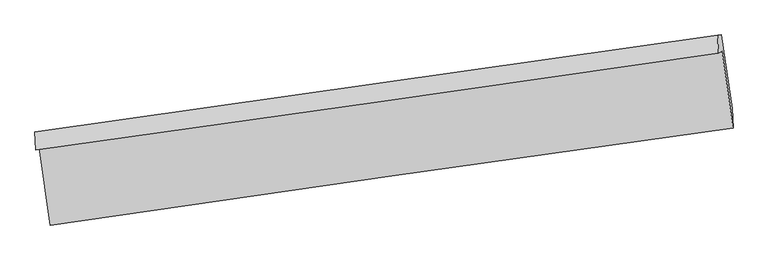
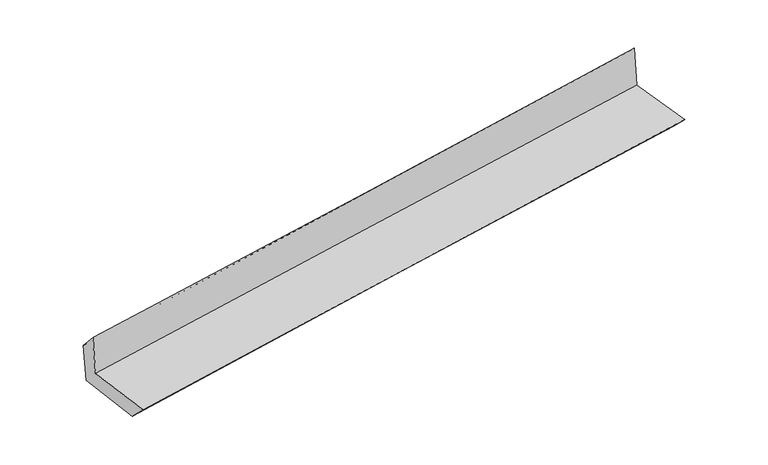
"""IFC4 building model written with IfcOpenShell, lengths in millimetres: proxy geometry."""

from ifc_helpers import new_model, si_unit, frame, origin, place, context, project, spatial, source, transform, mapped, element, save
from ifc_brep_helpers import plane_surface, spline_curve, spline_surface, advanced_brep


def generic_models_bbe7c926(model_context):
    return source(origin(), model_context, "Body", "AdvancedBrep", [
        advanced_brep(
        [(-3005.8303688, -1924.2426542, 1667.7338369), (-2909.3184191, -2598.149591, 1651.539774), (3052.4206476, -1747.5856515, 2154.9991672), (2958.0202616, -1077.9989812, 2153.6296952), (-3038.4580292, -1938.6570741, 2073.1304605), (2924.5842072, -1092.7705376, 2569.0705632), (-3045.4756901, -1783.1828447, 1898.5298877), (2917.0781836, -937.0972153, 2399.8529887), (-3012.6651492, -1779.35488, 1508.4718069), (2949.889295, -933.269184, 2009.7881266), (-2919.5856039, -2423.963372, 1484.0521964), (3042.9688403, -1577.8776761, 1985.3685161)],
        [
            (0, 1),
            (1, 2, spline_curve(3, [(-2909.3184191, -2598.149591, 1651.539774), (-1916.339364821, -2452.062208907, 1735.880251219), (-923.03992589, -2308.138421451, 1820.005298405), (1064.206425285, -2024.617079344, 1987.825098903), (2058.153341755, -1885.019553572, 2071.519849471), (3052.4206476, -1747.5856515, 2154.9991672)], [4, 2, 4], [0.0, 9.913252504863097, 19.826571890860244])),
            (2, 3),
            (3, 0, spline_curve(3, [(2958.0202616, -1077.9989812, 2153.6296952), (1964.078612593, -1222.918825621, 2078.700358356), (970.118558853, -1365.899285385, 2000.744221819), (-1017.831651485, -1647.980483468, 1838.77889474), (-2011.821808048, -1787.081248265, 1754.769745319), (-3005.8303688, -1924.2426542, 1667.7338369)], [4, 2, 4], [0.0, 9.913319385997147, 19.826571890860244])),
            (4, 0),
            (3, 5),
            (5, 4, spline_curve(3, [(2924.5842072, -1092.7705376, 2569.0705632), (1931.584383731, -1237.274297287, 2482.439103172), (938.162607919, -1380.016953871, 2397.794898293), (-1049.518143459, -1661.979108983, 2232.481557759), (-2043.777112933, -1801.19863145, 2151.812394916), (-3038.4580292, -1938.6570741, 2073.1304605)], [4, 2, 4], [0.0, 9.913339521904662, 19.826612162539426])),
            (6, 4),
            (5, 7),
            (7, 6, spline_curve(3, [(2917.0781836, -937.0972153, 2399.8529887), (1922.441114109, -1078.567182974, 2327.361511378), (928.24141546, -1219.80953947, 2249.338687913), (-1059.27653655, -1501.838079761, 2082.230912993), (-2052.594795731, -1642.624266037, 1993.146035982), (-3045.4756901, -1783.1828447, 1898.5298877)], [4, 2, 4], [0.0, 9.913310103120388, 19.826553325169357])),
            (8, 6),
            (7, 9),
            (9, 8, spline_curve(3, [(2949.889295, -933.269184, 2009.7881266), (1955.811372087, -1074.673916786, 1930.649405846), (961.891198074, -1215.883661453, 1849.303537138), (-1025.626947563, -1497.912224378, 1682.19806776), (-2019.224921704, -1638.731044586, 1596.438496334), (-3012.6651492, -1779.35488, 1508.4718069)], [4, 2, 4], [0.0, 9.913366302875572, 19.826665724300565])),
            (10, 8),
            (9, 11),
            (11, 10, spline_curve(3, [(3042.9688403, -1577.8776761, 1985.3685161), (2048.41465336, -1715.984111708, 1906.354744287), (1054.256347994, -1855.544713865, 1825.07134982), (-933.261794883, -2137.573298566, 1657.965879478), (-1926.621637666, -2280.041262024, 1572.143833904), (-2919.5856039, -2423.963372, 1484.0521964)], [4, 2, 4], [0.0, 9.913310804595843, 19.826554728115532])),
            (1, 10),
            (11, 2),
        ],
        [
            spline_surface(3, 3, [[(-3005.8303688, -1924.2426542, 1667.7338369), (-2011.821808003, -1787.08124816, 1754.769745443), (-1017.831651507, -1647.980483511, 1838.778894799), (970.118558876, -1365.899285342, 2000.74422176), (1964.078612511, -1222.918825666, 2078.700358464), (2958.0202616, -1077.9989812, 2153.6296952)], [(-2973.659718869, -2148.87829981, 1662.335815929), (-1979.994326964, -2008.741568455, 1748.473247354), (-986.234409645, -1868.033129538, 1832.521029312), (1001.481181023, -1585.471883305, 1996.437847499), (1995.436855644, -1443.619068288, 2076.306855473), (2989.487056958, -1301.194537981, 2154.086185843)], [(-2941.489069031, -2373.51394539, 1656.937794971), (-1948.166846017, -2230.40188872, 1742.176749277), (-954.637167785, -2088.085775551, 1826.263163821), (1032.843803169, -1805.044481254, 1992.131473235), (2026.795098704, -1664.319310866, 2073.913352553), (3020.953852242, -1524.390094719, 2154.542676557)], [(-2909.3184191, -2598.149591, 1651.539774), (-1916.339364978, -2452.062209015, 1735.880251188), (-923.039925922, -2308.138421578, 1820.005298334), (1064.206425316, -2024.617079217, 1987.825098974), (2058.153341837, -1885.019553488, 2071.519849561), (3052.4206476, -1747.5856515, 2154.9991672)]], [4, 4], [4, 2, 4], [0.0, 2.1862023148920766], [0.0, 9.913252504863097, 19.826571890860244]),
            spline_surface(3, 3, [[(-3038.4580292, -1938.6570741, 2073.1304605), (-2043.77711294, -1801.198631317, 2151.812394794), (-1049.518143354, -1661.979108955, 2232.481557654), (938.162607813, -1380.0169539, 2397.794898399), (1931.584383681, -1237.274297398, 2482.43910312), (2924.5842072, -1092.7705376, 2569.0705632)], [(-3027.582142406, -1933.852267473, 1937.998252634), (-2033.125344634, -1796.492836938, 2019.464845011), (-1038.955979433, -1657.312900474, 2101.247336705), (948.814591473, -1375.31106438, 2265.444672855), (1942.41579328, -1232.489140141, 2347.859521596), (2935.729558656, -1087.846685454, 2430.590273894)], [(-3016.706255594, -1929.047460827, 1802.866044766), (-2022.473576309, -1791.787042539, 1887.117295226), (-1028.393815428, -1652.646691993, 1970.013115748), (959.466575216, -1370.605174861, 2133.094447304), (1953.247202912, -1227.703982923, 2213.279939989), (2946.874910144, -1082.922833346, 2292.109984506)], [(-3005.8303688, -1924.2426542, 1667.7338369), (-2011.821808003, -1787.08124816, 1754.769745443), (-1017.831651507, -1647.980483511, 1838.778894799), (970.118558876, -1365.899285342, 2000.74422176), (1964.078612511, -1222.918825666, 2078.700358464), (2958.0202616, -1077.9989812, 2153.6296952)]], [4, 4], [4, 2, 4], [0.0, 1.3021791240333287], [0.0, 9.913272640634764, 19.826612162539426]),
            spline_surface(3, 3, [[(-3045.4756901, -1783.1828447, 1898.5298877), (-2052.594795632, -1642.624266105, 1993.146035982), (-1059.276536558, -1501.838079642, 2082.23091297), (928.241415468, -1219.809539589, 2249.338687936), (1922.441114239, -1078.567182901, 2327.361511286), (2917.0781836, -937.0972153, 2399.8529887)], [(-3043.136469795, -1835.007587837, 1956.73007862), (-2049.655568063, -1695.482387846, 2046.034822239), (-1056.023738807, -1555.218422749, 2132.314461215), (931.548479599, -1273.212011029, 2298.824091441), (1925.488870703, -1131.46955441, 2379.054041879), (2919.580191451, -988.988322743, 2456.258846848)], [(-3040.797249505, -1886.832330963, 2014.93026958), (-2046.716340509, -1748.340509577, 2098.923608537), (-1052.770941104, -1608.598765848, 2182.398009408), (934.855543682, -1326.61448246, 2348.309494894), (1928.536627216, -1184.371925889, 2430.746572527), (2922.082199349, -1040.879430157, 2512.664705052)], [(-3038.4580292, -1938.6570741, 2073.1304605), (-2043.77711294, -1801.198631317, 2151.812394794), (-1049.518143354, -1661.979108955, 2232.481557654), (938.162607813, -1380.0169539, 2397.794898399), (1931.584383681, -1237.274297398, 2482.43910312), (2924.5842072, -1092.7705376, 2569.0705632)]], [4, 4], [4, 2, 4], [0.0, 0.7192379868655281], [0.0, 9.913243222048969, 19.826553325169357]),
            spline_surface(3, 3, [[(-3012.6651492, -1779.35488, 1508.4718069), (-2019.224921772, -1638.731044729, 1596.438496356), (-1025.626947714, -1497.912224254, 1682.198067608), (961.891198225, -1215.883661577, 1849.303537291), (1955.811372232, -1074.673916668, 1930.649405935), (2949.889295, -933.269184, 2009.7881266)], [(-3023.601996186, -1780.630868235, 1638.491167167), (-2030.348213078, -1640.02878519, 1728.674342898), (-1036.84347734, -1499.220842712, 1815.542349394), (950.674603962, -1217.192287576, 1982.648587505), (1944.687952908, -1075.971672064, 2062.886774382), (2938.952257873, -934.545194419, 2139.809747296)], [(-3034.538843114, -1781.906856465, 1768.510527433), (-2041.471504326, -1641.326525645, 1860.91018944), (-1048.060006932, -1500.529461184, 1948.886631183), (939.458009732, -1218.500913589, 2115.993637722), (1933.564533563, -1077.269427505, 2195.124142839), (2928.015220727, -935.821204881, 2269.831368004)], [(-3045.4756901, -1783.1828447, 1898.5298877), (-2052.594795632, -1642.624266105, 1993.146035982), (-1059.276536558, -1501.838079642, 2082.23091297), (928.241415468, -1219.809539589, 2249.338687936), (1922.441114239, -1078.567182901, 2327.361511286), (2917.0781836, -937.0972153, 2399.8529887)]], [4, 4], [4, 2, 4], [0.0, 1.3171455229787012], [0.0, 9.913299421424993, 19.826665724300565]),
            spline_surface(3, 3, [[(-2919.5856039, -2423.963372, 1484.0521964), (-1926.621637507, -2280.041262044, 1572.14383392), (-933.261794808, -2137.57329868, 1657.965879386), (1054.256347919, -1855.544713751, 1825.071349912), (2048.414653283, -1715.98411183, 1906.354744342), (3042.9688403, -1577.8776761, 1985.3685161)], [(-2950.612118993, -2209.093874642, 1492.192066558), (-1957.489398921, -2066.271189581, 1580.242054723), (-964.050179115, -1924.35294052, 1666.043275442), (1023.467964682, -1642.324363008, 1833.148745687), (2017.54689294, -1502.214046785, 1914.452964865), (3011.942325207, -1363.008178742, 1993.508386258)], [(-2981.638634107, -1994.224377358, 1500.331936742), (-1988.357160357, -1852.501117192, 1588.340275552), (-994.838563407, -1711.132582414, 1674.120671552), (992.679581462, -1429.10401232, 1841.226141516), (1986.679132575, -1288.443981713, 1922.551185413), (2980.915810093, -1148.138681358, 2001.648256442)], [(-3012.6651492, -1779.35488, 1508.4718069), (-2019.224921772, -1638.731044729, 1596.438496356), (-1025.626947714, -1497.912224254, 1682.198067608), (961.891198225, -1215.883661577, 1849.303537291), (1955.811372232, -1074.673916668, 1930.649405935), (2949.889295, -933.269184, 2009.7881266)]], [4, 4], [4, 2, 4], [0.0, 2.121881258130485], [0.0, 9.913243923519689, 19.826554728115532]),
            spline_surface(3, 3, [[(-2909.3184191, -2598.149591, 1651.539774), (-1916.339364978, -2452.062209015, 1735.880251188), (-923.039925922, -2308.138421578, 1820.005298334), (1064.206425316, -2024.617079217, 1987.825098974), (2058.153341837, -1885.019553488, 2071.519849561), (3052.4206476, -1747.5856515, 2154.9991672)], [(-2912.74081405, -2540.087518002, 1595.710581492), (-1919.766789171, -2394.72189336, 1681.301445457), (-926.447215523, -2251.283380627, 1765.992158683), (1060.889732878, -1968.259624077, 1933.573849285), (2054.907112309, -1828.674406263, 2016.464814515), (3049.270045156, -1691.016326361, 2098.45561686)], [(-2916.16320895, -2482.025444998, 1539.881388908), (-1923.194213314, -2337.381577698, 1626.722639651), (-929.854505207, -2194.42833963, 1711.979019037), (1057.573040357, -1911.902168891, 1879.322599601), (2051.660882812, -1772.329259055, 1961.409779388), (3046.119442744, -1634.447001239, 2041.91206644)], [(-2919.5856039, -2423.963372, 1484.0521964), (-1926.621637507, -2280.041262044, 1572.14383392), (-933.261794808, -2137.57329868, 1657.965879386), (1054.256347919, -1855.544713751, 1825.071349912), (2048.414653283, -1715.98411183, 1906.354744342), (3042.9688403, -1577.8776761, 1985.3685161)]], [4, 4], [4, 2, 4], [0.0, 0.7716098970287921], [0.0, 9.913241896521994, 19.826550674106464]),
            plane_surface(frame((2974.1602392, -1227.766541, 2212.1181762), z_axis=(0.9866539023236732, 0.13927403842381098, 0.0843612425856241), x_axis=(-0.08381703449975023, -0.009778828401823777, 0.9964331785136199))),
            plane_surface(frame((-2988.5555434, -2074.591736, 1713.9096604), z_axis=(-0.9866539023237609, -0.13927403842321898, -0.08436124258557658), x_axis=(-0.14172606456065528, 0.9896202308887857, 0.023780690481475315))),
        ],
        [
            (0, [[1, 2, 3, 4]]),
            (1, [[5, -4, 6, 7]]),
            (2, [[8, -7, 9, 10]]),
            (3, [[11, -10, 12, 13]]),
            (4, [[14, -13, 15, 16]]),
            (5, [[17, -16, 18, -2]]),
            (6, [[-12, -9, -6, -3, -18, -15]]),
            (7, [[-1, -5, -8, -11, -14, -17]]),
        ],
    ),
    ])


if __name__ == "__main__":
    model = new_model("IFC4")
    model_context = context("Model", 3, world=origin())
    ifc_project = project(units=[si_unit("LENGTHUNIT", "METRE", prefix="MILLI")], contexts=[model_context])
    site = spatial("IfcSite", under=ifc_project)
    building = spatial("IfcBuilding", under=site)
    placement = place(None, origin())
    generic_models_shape = generic_models_bbe7c926(model_context)
    element("IfcBuildingElementProxy", 1, Name="Generic Models", at=placement, inside=building, context=model_context, shape_type="MappedRepresentation", body=[
        mapped(generic_models_shape, transform((0.0, 0.0, 0.0), x_axis=(1.0, 0.0, 0.0), y_axis=(0.0, 1.0, 0.0), z_axis=(0.0, 0.0, 1.0))),
    ])
    save(model, "model.ifc")
